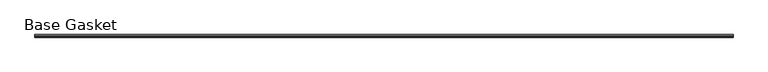
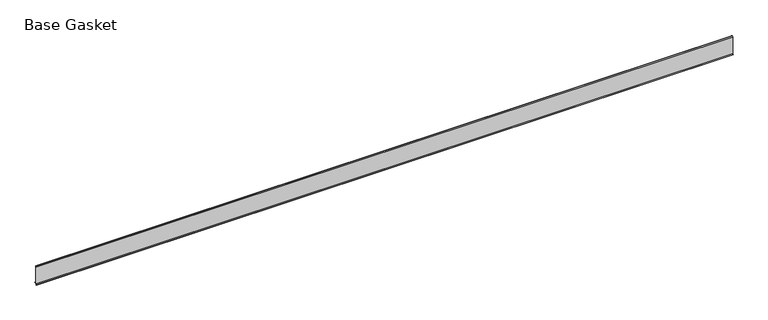
"""IFC4 building model written with IfcOpenShell, lengths in millimetres: furniture geometry, Base Gasket."""

from ifc_helpers import new_model, si_unit, frame, origin, place, context, project, spatial, polyline, outline, extrude, source, transform, mapped, element, save


def base_gasket_dbe219a8(model_context):
    return source(origin(), model_context, "Body", "SweptSolid", [
        extrude(outline(polyline([(-3.7283812, 98.4568417), (-1.1891543, 104.587663), (-0.6755308, 105.2002997), (-0.6755308, 104.4162708), (-2.2043812, 98.4568417), (-2.2043812, 96.8693477), (-1.4106313, 96.8693477), (-1.4106313, 71.4693447), (-2.2043812, 71.4693447), (-2.2043812, 7.9398773), (6.2405171, 7.9398773), (6.2405171, 6.3818476), (-2.1334222, 6.3818476), (-2.2043812, 4.3498477), (-6.8281054, 0.3520979), (-7.8482342, 0.0), (-7.4222115, 0.6560174), (-3.7283812, 4.3498477), (-3.7283812, 98.4568417)])), frame((-1527.8982117, 0.0, 0.0), z_axis=(1.0, 0.0, 0.0), x_axis=(0.0, 1.0, 0.0)), (0.0, 0.0, 1.0), 3765.9564),
    ])


if __name__ == "__main__":
    model = new_model("IFC4")
    model_context = context("Model", 3, world=origin())
    ifc_project = project(units=[si_unit("LENGTHUNIT", "METRE", prefix="MILLI")], contexts=[model_context])
    site = spatial("IfcSite", under=ifc_project)
    building = spatial("IfcBuilding", under=site)
    placement = place(None, origin())
    base_gasket_shape = base_gasket_dbe219a8(model_context)
    element("IfcFurniture", 1, ObjectType="Base Gasket", at=placement, inside=building, context=model_context, shape_type="MappedRepresentation", body=[
        mapped(base_gasket_shape, transform((0.0, 0.0, 0.0), x_axis=(1.0, 0.0, 0.0), y_axis=(0.0, 1.0, 0.0), z_axis=(0.0, 0.0, 1.0))),
    ])
    save(model, "model.ifc")
